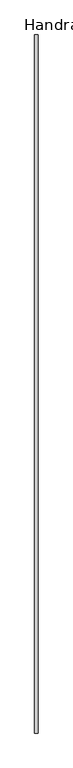
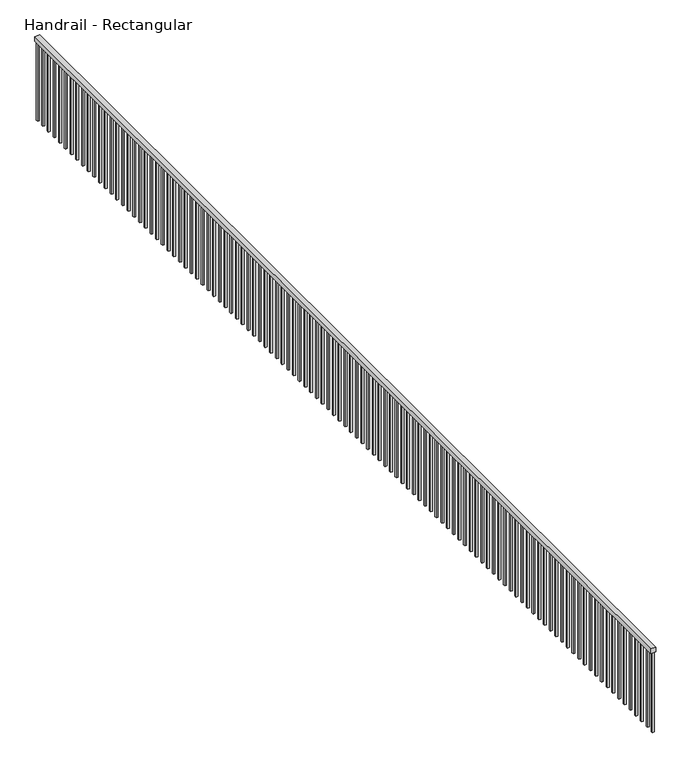
"""IFC4 building model written with IfcOpenShell, lengths in millimetres: railing geometry, Handrail - Rectangular."""

from ifc_helpers import new_model, si_unit, frame, origin, place, context, project, spatial, polyline, outline, extrude, source, transform, mapped, element, save


def handrail_rectangular_895eb6a4(model_context):
    return source(origin(), model_context, "Body", "SweptSolid", [
        extrude(outline(polyline([(15785.3201545, 5709.5419962), (15734.5201545, 5709.5419962), (15734.5201545, 16682.3419962), (15785.3201545, 16682.3419962), (15785.3201545, 5709.5419962)])), frame((0.0, 0.0, 4521.2), z_axis=(0.0, 0.0, 1.0), x_axis=(1.0, 0.0, 0.0)), (0.0, 0.0, 1.0), 50.8),
        extrude(outline(polyline([(15750.3951545, 16571.2169962), (15750.3951545, 16590.2669962), (15769.4451545, 16590.2669962), (15769.4451545, 16571.2169962), (15750.3951545, 16571.2169962)])), frame((0.0, 0.0, 3657.6), z_axis=(0.0, 0.0, 1.0), x_axis=(1.0, 0.0, 0.0)), (0.0, 0.0, 1.0), 863.6),
        extrude(outline(polyline([(15750.3951545, 16469.6169962), (15750.3951545, 16488.6669962), (15769.4451545, 16488.6669962), (15769.4451545, 16469.6169962), (15750.3951545, 16469.6169962)])), frame((0.0, 0.0, 3657.6), z_axis=(0.0, 0.0, 1.0), x_axis=(1.0, 0.0, 0.0)), (0.0, 0.0, 1.0), 863.6),
        extrude(outline(polyline([(15750.3951545, 16368.0169962), (15750.3951545, 16387.0669962), (15769.4451545, 16387.0669962), (15769.4451545, 16368.0169962), (15750.3951545, 16368.0169962)])), frame((0.0, 0.0, 3657.6), z_axis=(0.0, 0.0, 1.0), x_axis=(1.0, 0.0, 0.0)), (0.0, 0.0, 1.0), 863.6),
        extrude(outline(polyline([(15750.3951545, 16266.4169962), (15750.3951545, 16285.4669962), (15769.4451545, 16285.4669962), (15769.4451545, 16266.4169962), (15750.3951545, 16266.4169962)])), frame((0.0, 0.0, 3657.6), z_axis=(0.0, 0.0, 1.0), x_axis=(1.0, 0.0, 0.0)), (0.0, 0.0, 1.0), 863.6),
        extrude(outline(polyline([(15750.3951545, 16164.8169962), (15750.3951545, 16183.8669962), (15769.4451545, 16183.8669962), (15769.4451545, 16164.8169962), (15750.3951545, 16164.8169962)])), frame((0.0, 0.0, 3657.6), z_axis=(0.0, 0.0, 1.0), x_axis=(1.0, 0.0, 0.0)), (0.0, 0.0, 1.0), 863.6),
        extrude(outline(polyline([(15750.3951545, 16063.2169962), (15750.3951545, 16082.2669962), (15769.4451545, 16082.2669962), (15769.4451545, 16063.2169962), (15750.3951545, 16063.2169962)])), frame((0.0, 0.0, 3657.6), z_axis=(0.0, 0.0, 1.0), x_axis=(1.0, 0.0, 0.0)), (0.0, 0.0, 1.0), 863.6),
        extrude(outline(polyline([(15750.3951545, 15961.6169962), (15750.3951545, 15980.6669962), (15769.4451545, 15980.6669962), (15769.4451545, 15961.6169962), (15750.3951545, 15961.6169962)])), frame((0.0, 0.0, 3657.6), z_axis=(0.0, 0.0, 1.0), x_axis=(1.0, 0.0, 0.0)), (0.0, 0.0, 1.0), 863.6),
        extrude(outline(polyline([(15750.3951545, 15860.0169962), (15750.3951545, 15879.0669962), (15769.4451545, 15879.0669962), (15769.4451545, 15860.0169962), (15750.3951545, 15860.0169962)])), frame((0.0, 0.0, 3657.6), z_axis=(0.0, 0.0, 1.0), x_axis=(1.0, 0.0, 0.0)), (0.0, 0.0, 1.0), 863.6),
        extrude(outline(polyline([(15750.3951545, 15758.4169962), (15750.3951545, 15777.4669962), (15769.4451545, 15777.4669962), (15769.4451545, 15758.4169962), (15750.3951545, 15758.4169962)])), frame((0.0, 0.0, 3657.6), z_axis=(0.0, 0.0, 1.0), x_axis=(1.0, 0.0, 0.0)), (0.0, 0.0, 1.0), 863.6),
        extrude(outline(polyline([(15750.3951545, 15656.8169962), (15750.3951545, 15675.8669962), (15769.4451545, 15675.8669962), (15769.4451545, 15656.8169962), (15750.3951545, 15656.8169962)])), frame((0.0, 0.0, 3657.6), z_axis=(0.0, 0.0, 1.0), x_axis=(1.0, 0.0, 0.0)), (0.0, 0.0, 1.0), 863.6),
        extrude(outline(polyline([(15750.3951545, 15555.2169962), (15750.3951545, 15574.2669962), (15769.4451545, 15574.2669962), (15769.4451545, 15555.2169962), (15750.3951545, 15555.2169962)])), frame((0.0, 0.0, 3657.6), z_axis=(0.0, 0.0, 1.0), x_axis=(1.0, 0.0, 0.0)), (0.0, 0.0, 1.0), 863.6),
        extrude(outline(polyline([(15750.3951545, 15453.6169962), (15750.3951545, 15472.6669962), (15769.4451545, 15472.6669962), (15769.4451545, 15453.6169962), (15750.3951545, 15453.6169962)])), frame((0.0, 0.0, 3657.6), z_axis=(0.0, 0.0, 1.0), x_axis=(1.0, 0.0, 0.0)), (0.0, 0.0, 1.0), 863.6),
        extrude(outline(polyline([(15750.3951545, 15352.0169962), (15750.3951545, 15371.0669962), (15769.4451545, 15371.0669962), (15769.4451545, 15352.0169962), (15750.3951545, 15352.0169962)])), frame((0.0, 0.0, 3657.6), z_axis=(0.0, 0.0, 1.0), x_axis=(1.0, 0.0, 0.0)), (0.0, 0.0, 1.0), 863.6),
        extrude(outline(polyline([(15750.3951545, 15250.4169962), (15750.3951545, 15269.4669962), (15769.4451545, 15269.4669962), (15769.4451545, 15250.4169962), (15750.3951545, 15250.4169962)])), frame((0.0, 0.0, 3657.6), z_axis=(0.0, 0.0, 1.0), x_axis=(1.0, 0.0, 0.0)), (0.0, 0.0, 1.0), 863.6),
        extrude(outline(polyline([(15750.3951545, 15148.8169962), (15750.3951545, 15167.8669962), (15769.4451545, 15167.8669962), (15769.4451545, 15148.8169962), (15750.3951545, 15148.8169962)])), frame((0.0, 0.0, 3657.6), z_axis=(0.0, 0.0, 1.0), x_axis=(1.0, 0.0, 0.0)), (0.0, 0.0, 1.0), 863.6),
        extrude(outline(polyline([(15750.3951545, 15047.2169962), (15750.3951545, 15066.2669962), (15769.4451545, 15066.2669962), (15769.4451545, 15047.2169962), (15750.3951545, 15047.2169962)])), frame((0.0, 0.0, 3657.6), z_axis=(0.0, 0.0, 1.0), x_axis=(1.0, 0.0, 0.0)), (0.0, 0.0, 1.0), 863.6),
        extrude(outline(polyline([(15750.3951545, 14945.6169962), (15750.3951545, 14964.6669962), (15769.4451545, 14964.6669962), (15769.4451545, 14945.6169962), (15750.3951545, 14945.6169962)])), frame((0.0, 0.0, 3657.6), z_axis=(0.0, 0.0, 1.0), x_axis=(1.0, 0.0, 0.0)), (0.0, 0.0, 1.0), 863.6),
        extrude(outline(polyline([(15750.3951545, 14844.0169962), (15750.3951545, 14863.0669962), (15769.4451545, 14863.0669962), (15769.4451545, 14844.0169962), (15750.3951545, 14844.0169962)])), frame((0.0, 0.0, 3657.6), z_axis=(0.0, 0.0, 1.0), x_axis=(1.0, 0.0, 0.0)), (0.0, 0.0, 1.0), 863.6),
        extrude(outline(polyline([(15750.3951545, 14742.4169962), (15750.3951545, 14761.4669962), (15769.4451545, 14761.4669962), (15769.4451545, 14742.4169962), (15750.3951545, 14742.4169962)])), frame((0.0, 0.0, 3657.6), z_axis=(0.0, 0.0, 1.0), x_axis=(1.0, 0.0, 0.0)), (0.0, 0.0, 1.0), 863.6),
        extrude(outline(polyline([(15750.3951545, 14640.8169962), (15750.3951545, 14659.8669962), (15769.4451545, 14659.8669962), (15769.4451545, 14640.8169962), (15750.3951545, 14640.8169962)])), frame((0.0, 0.0, 3657.6), z_axis=(0.0, 0.0, 1.0), x_axis=(1.0, 0.0, 0.0)), (0.0, 0.0, 1.0), 863.6),
        extrude(outline(polyline([(15750.3951545, 14539.2169962), (15750.3951545, 14558.2669962), (15769.4451545, 14558.2669962), (15769.4451545, 14539.2169962), (15750.3951545, 14539.2169962)])), frame((0.0, 0.0, 3657.6), z_axis=(0.0, 0.0, 1.0), x_axis=(1.0, 0.0, 0.0)), (0.0, 0.0, 1.0), 863.6),
        extrude(outline(polyline([(15750.3951545, 14437.6169962), (15750.3951545, 14456.6669962), (15769.4451545, 14456.6669962), (15769.4451545, 14437.6169962), (15750.3951545, 14437.6169962)])), frame((0.0, 0.0, 3657.6), z_axis=(0.0, 0.0, 1.0), x_axis=(1.0, 0.0, 0.0)), (0.0, 0.0, 1.0), 863.6),
        extrude(outline(polyline([(15750.3951545, 14336.0169962), (15750.3951545, 14355.0669962), (15769.4451545, 14355.0669962), (15769.4451545, 14336.0169962), (15750.3951545, 14336.0169962)])), frame((0.0, 0.0, 3657.6), z_axis=(0.0, 0.0, 1.0), x_axis=(1.0, 0.0, 0.0)), (0.0, 0.0, 1.0), 863.6),
        extrude(outline(polyline([(15750.3951545, 14234.4169962), (15750.3951545, 14253.4669962), (15769.4451545, 14253.4669962), (15769.4451545, 14234.4169962), (15750.3951545, 14234.4169962)])), frame((0.0, 0.0, 3657.6), z_axis=(0.0, 0.0, 1.0), x_axis=(1.0, 0.0, 0.0)), (0.0, 0.0, 1.0), 863.6),
        extrude(outline(polyline([(15750.3951545, 14132.8169962), (15750.3951545, 14151.8669962), (15769.4451545, 14151.8669962), (15769.4451545, 14132.8169962), (15750.3951545, 14132.8169962)])), frame((0.0, 0.0, 3657.6), z_axis=(0.0, 0.0, 1.0), x_axis=(1.0, 0.0, 0.0)), (0.0, 0.0, 1.0), 863.6),
        extrude(outline(polyline([(15750.3951545, 14031.2169962), (15750.3951545, 14050.2669962), (15769.4451545, 14050.2669962), (15769.4451545, 14031.2169962), (15750.3951545, 14031.2169962)])), frame((0.0, 0.0, 3657.6), z_axis=(0.0, 0.0, 1.0), x_axis=(1.0, 0.0, 0.0)), (0.0, 0.0, 1.0), 863.6),
        extrude(outline(polyline([(15750.3951545, 13929.6169962), (15750.3951545, 13948.6669962), (15769.4451545, 13948.6669962), (15769.4451545, 13929.6169962), (15750.3951545, 13929.6169962)])), frame((0.0, 0.0, 3657.6), z_axis=(0.0, 0.0, 1.0), x_axis=(1.0, 0.0, 0.0)), (0.0, 0.0, 1.0), 863.6),
        extrude(outline(polyline([(15750.3951545, 13828.0169962), (15750.3951545, 13847.0669962), (15769.4451545, 13847.0669962), (15769.4451545, 13828.0169962), (15750.3951545, 13828.0169962)])), frame((0.0, 0.0, 3657.6), z_axis=(0.0, 0.0, 1.0), x_axis=(1.0, 0.0, 0.0)), (0.0, 0.0, 1.0), 863.6),
        extrude(outline(polyline([(15750.3951545, 13726.4169962), (15750.3951545, 13745.4669962), (15769.4451545, 13745.4669962), (15769.4451545, 13726.4169962), (15750.3951545, 13726.4169962)])), frame((0.0, 0.0, 3657.6), z_axis=(0.0, 0.0, 1.0), x_axis=(1.0, 0.0, 0.0)), (0.0, 0.0, 1.0), 863.6),
        extrude(outline(polyline([(15750.3951545, 13624.8169962), (15750.3951545, 13643.8669962), (15769.4451545, 13643.8669962), (15769.4451545, 13624.8169962), (15750.3951545, 13624.8169962)])), frame((0.0, 0.0, 3657.6), z_axis=(0.0, 0.0, 1.0), x_axis=(1.0, 0.0, 0.0)), (0.0, 0.0, 1.0), 863.6),
        extrude(outline(polyline([(15750.3951545, 13523.2169962), (15750.3951545, 13542.2669962), (15769.4451545, 13542.2669962), (15769.4451545, 13523.2169962), (15750.3951545, 13523.2169962)])), frame((0.0, 0.0, 3657.6), z_axis=(0.0, 0.0, 1.0), x_axis=(1.0, 0.0, 0.0)), (0.0, 0.0, 1.0), 863.6),
        extrude(outline(polyline([(15750.3951545, 13421.6169962), (15750.3951545, 13440.6669962), (15769.4451545, 13440.6669962), (15769.4451545, 13421.6169962), (15750.3951545, 13421.6169962)])), frame((0.0, 0.0, 3657.6), z_axis=(0.0, 0.0, 1.0), x_axis=(1.0, 0.0, 0.0)), (0.0, 0.0, 1.0), 863.6),
        extrude(outline(polyline([(15750.3951545, 13320.0169962), (15750.3951545, 13339.0669962), (15769.4451545, 13339.0669962), (15769.4451545, 13320.0169962), (15750.3951545, 13320.0169962)])), frame((0.0, 0.0, 3657.6), z_axis=(0.0, 0.0, 1.0), x_axis=(1.0, 0.0, 0.0)), (0.0, 0.0, 1.0), 863.6),
        extrude(outline(polyline([(15750.3951545, 13218.4169962), (15750.3951545, 13237.4669962), (15769.4451545, 13237.4669962), (15769.4451545, 13218.4169962), (15750.3951545, 13218.4169962)])), frame((0.0, 0.0, 3657.6), z_axis=(0.0, 0.0, 1.0), x_axis=(1.0, 0.0, 0.0)), (0.0, 0.0, 1.0), 863.6),
        extrude(outline(polyline([(15750.3951545, 13116.8169962), (15750.3951545, 13135.8669962), (15769.4451545, 13135.8669962), (15769.4451545, 13116.8169962), (15750.3951545, 13116.8169962)])), frame((0.0, 0.0, 3657.6), z_axis=(0.0, 0.0, 1.0), x_axis=(1.0, 0.0, 0.0)), (0.0, 0.0, 1.0), 863.6),
        extrude(outline(polyline([(15750.3951545, 13015.2169962), (15750.3951545, 13034.2669962), (15769.4451545, 13034.2669962), (15769.4451545, 13015.2169962), (15750.3951545, 13015.2169962)])), frame((0.0, 0.0, 3657.6), z_axis=(0.0, 0.0, 1.0), x_axis=(1.0, 0.0, 0.0)), (0.0, 0.0, 1.0), 863.6),
        extrude(outline(polyline([(15750.3951545, 12913.6169962), (15750.3951545, 12932.6669962), (15769.4451545, 12932.6669962), (15769.4451545, 12913.6169962), (15750.3951545, 12913.6169962)])), frame((0.0, 0.0, 3657.6), z_axis=(0.0, 0.0, 1.0), x_axis=(1.0, 0.0, 0.0)), (0.0, 0.0, 1.0), 863.6),
        extrude(outline(polyline([(15750.3951545, 12812.0169962), (15750.3951545, 12831.0669962), (15769.4451545, 12831.0669962), (15769.4451545, 12812.0169962), (15750.3951545, 12812.0169962)])), frame((0.0, 0.0, 3657.6), z_axis=(0.0, 0.0, 1.0), x_axis=(1.0, 0.0, 0.0)), (0.0, 0.0, 1.0), 863.6),
        extrude(outline(polyline([(15750.3951545, 12710.4169962), (15750.3951545, 12729.4669962), (15769.4451545, 12729.4669962), (15769.4451545, 12710.4169962), (15750.3951545, 12710.4169962)])), frame((0.0, 0.0, 3657.6), z_axis=(0.0, 0.0, 1.0), x_axis=(1.0, 0.0, 0.0)), (0.0, 0.0, 1.0), 863.6),
        extrude(outline(polyline([(15750.3951545, 12608.8169962), (15750.3951545, 12627.8669962), (15769.4451545, 12627.8669962), (15769.4451545, 12608.8169962), (15750.3951545, 12608.8169962)])), frame((0.0, 0.0, 3657.6), z_axis=(0.0, 0.0, 1.0), x_axis=(1.0, 0.0, 0.0)), (0.0, 0.0, 1.0), 863.6),
        extrude(outline(polyline([(15750.3951545, 12507.2169962), (15750.3951545, 12526.2669962), (15769.4451545, 12526.2669962), (15769.4451545, 12507.2169962), (15750.3951545, 12507.2169962)])), frame((0.0, 0.0, 3657.6), z_axis=(0.0, 0.0, 1.0), x_axis=(1.0, 0.0, 0.0)), (0.0, 0.0, 1.0), 863.6),
        extrude(outline(polyline([(15750.3951545, 12405.6169962), (15750.3951545, 12424.6669962), (15769.4451545, 12424.6669962), (15769.4451545, 12405.6169962), (15750.3951545, 12405.6169962)])), frame((0.0, 0.0, 3657.6), z_axis=(0.0, 0.0, 1.0), x_axis=(1.0, 0.0, 0.0)), (0.0, 0.0, 1.0), 863.6),
        extrude(outline(polyline([(15750.3951545, 12304.0169962), (15750.3951545, 12323.0669962), (15769.4451545, 12323.0669962), (15769.4451545, 12304.0169962), (15750.3951545, 12304.0169962)])), frame((0.0, 0.0, 3657.6), z_axis=(0.0, 0.0, 1.0), x_axis=(1.0, 0.0, 0.0)), (0.0, 0.0, 1.0), 863.6),
        extrude(outline(polyline([(15750.3951545, 12202.4169962), (15750.3951545, 12221.4669962), (15769.4451545, 12221.4669962), (15769.4451545, 12202.4169962), (15750.3951545, 12202.4169962)])), frame((0.0, 0.0, 3657.6), z_axis=(0.0, 0.0, 1.0), x_axis=(1.0, 0.0, 0.0)), (0.0, 0.0, 1.0), 863.6),
        extrude(outline(polyline([(15750.3951545, 12100.8169962), (15750.3951545, 12119.8669962), (15769.4451545, 12119.8669962), (15769.4451545, 12100.8169962), (15750.3951545, 12100.8169962)])), frame((0.0, 0.0, 3657.6), z_axis=(0.0, 0.0, 1.0), x_axis=(1.0, 0.0, 0.0)), (0.0, 0.0, 1.0), 863.6),
        extrude(outline(polyline([(15750.3951545, 11999.2169962), (15750.3951545, 12018.2669962), (15769.4451545, 12018.2669962), (15769.4451545, 11999.2169962), (15750.3951545, 11999.2169962)])), frame((0.0, 0.0, 3657.6), z_axis=(0.0, 0.0, 1.0), x_axis=(1.0, 0.0, 0.0)), (0.0, 0.0, 1.0), 863.6),
        extrude(outline(polyline([(15750.3951545, 11897.6169962), (15750.3951545, 11916.6669962), (15769.4451545, 11916.6669962), (15769.4451545, 11897.6169962), (15750.3951545, 11897.6169962)])), frame((0.0, 0.0, 3657.6), z_axis=(0.0, 0.0, 1.0), x_axis=(1.0, 0.0, 0.0)), (0.0, 0.0, 1.0), 863.6),
        extrude(outline(polyline([(15750.3951545, 11796.0169962), (15750.3951545, 11815.0669962), (15769.4451545, 11815.0669962), (15769.4451545, 11796.0169962), (15750.3951545, 11796.0169962)])), frame((0.0, 0.0, 3657.6), z_axis=(0.0, 0.0, 1.0), x_axis=(1.0, 0.0, 0.0)), (0.0, 0.0, 1.0), 863.6),
        extrude(outline(polyline([(15750.3951545, 11694.4169962), (15750.3951545, 11713.4669962), (15769.4451545, 11713.4669962), (15769.4451545, 11694.4169962), (15750.3951545, 11694.4169962)])), frame((0.0, 0.0, 3657.6), z_axis=(0.0, 0.0, 1.0), x_axis=(1.0, 0.0, 0.0)), (0.0, 0.0, 1.0), 863.6),
        extrude(outline(polyline([(15750.3951545, 11592.8169962), (15750.3951545, 11611.8669962), (15769.4451545, 11611.8669962), (15769.4451545, 11592.8169962), (15750.3951545, 11592.8169962)])), frame((0.0, 0.0, 3657.6), z_axis=(0.0, 0.0, 1.0), x_axis=(1.0, 0.0, 0.0)), (0.0, 0.0, 1.0), 863.6),
        extrude(outline(polyline([(15750.3951545, 11491.2169962), (15750.3951545, 11510.2669962), (15769.4451545, 11510.2669962), (15769.4451545, 11491.2169962), (15750.3951545, 11491.2169962)])), frame((0.0, 0.0, 3657.6), z_axis=(0.0, 0.0, 1.0), x_axis=(1.0, 0.0, 0.0)), (0.0, 0.0, 1.0), 863.6),
        extrude(outline(polyline([(15750.3951545, 11389.6169962), (15750.3951545, 11408.6669962), (15769.4451545, 11408.6669962), (15769.4451545, 11389.6169962), (15750.3951545, 11389.6169962)])), frame((0.0, 0.0, 3657.6), z_axis=(0.0, 0.0, 1.0), x_axis=(1.0, 0.0, 0.0)), (0.0, 0.0, 1.0), 863.6),
        extrude(outline(polyline([(15750.3951545, 11288.0169962), (15750.3951545, 11307.0669962), (15769.4451545, 11307.0669962), (15769.4451545, 11288.0169962), (15750.3951545, 11288.0169962)])), frame((0.0, 0.0, 3657.6), z_axis=(0.0, 0.0, 1.0), x_axis=(1.0, 0.0, 0.0)), (0.0, 0.0, 1.0), 863.6),
        extrude(outline(polyline([(15750.3951545, 11186.4169962), (15750.3951545, 11205.4669962), (15769.4451545, 11205.4669962), (15769.4451545, 11186.4169962), (15750.3951545, 11186.4169962)])), frame((0.0, 0.0, 3657.6), z_axis=(0.0, 0.0, 1.0), x_axis=(1.0, 0.0, 0.0)), (0.0, 0.0, 1.0), 863.6),
        extrude(outline(polyline([(15750.3951545, 11084.8169962), (15750.3951545, 11103.8669962), (15769.4451545, 11103.8669962), (15769.4451545, 11084.8169962), (15750.3951545, 11084.8169962)])), frame((0.0, 0.0, 3657.6), z_axis=(0.0, 0.0, 1.0), x_axis=(1.0, 0.0, 0.0)), (0.0, 0.0, 1.0), 863.6),
        extrude(outline(polyline([(15750.3951545, 10983.2169962), (15750.3951545, 11002.2669962), (15769.4451545, 11002.2669962), (15769.4451545, 10983.2169962), (15750.3951545, 10983.2169962)])), frame((0.0, 0.0, 3657.6), z_axis=(0.0, 0.0, 1.0), x_axis=(1.0, 0.0, 0.0)), (0.0, 0.0, 1.0), 863.6),
        extrude(outline(polyline([(15750.3951545, 10881.6169962), (15750.3951545, 10900.6669962), (15769.4451545, 10900.6669962), (15769.4451545, 10881.6169962), (15750.3951545, 10881.6169962)])), frame((0.0, 0.0, 3657.6), z_axis=(0.0, 0.0, 1.0), x_axis=(1.0, 0.0, 0.0)), (0.0, 0.0, 1.0), 863.6),
        extrude(outline(polyline([(15750.3951545, 10780.0169962), (15750.3951545, 10799.0669962), (15769.4451545, 10799.0669962), (15769.4451545, 10780.0169962), (15750.3951545, 10780.0169962)])), frame((0.0, 0.0, 3657.6), z_axis=(0.0, 0.0, 1.0), x_axis=(1.0, 0.0, 0.0)), (0.0, 0.0, 1.0), 863.6),
        extrude(outline(polyline([(15750.3951545, 10678.4169962), (15750.3951545, 10697.4669962), (15769.4451545, 10697.4669962), (15769.4451545, 10678.4169962), (15750.3951545, 10678.4169962)])), frame((0.0, 0.0, 3657.6), z_axis=(0.0, 0.0, 1.0), x_axis=(1.0, 0.0, 0.0)), (0.0, 0.0, 1.0), 863.6),
        extrude(outline(polyline([(15750.3951545, 10576.8169962), (15750.3951545, 10595.8669962), (15769.4451545, 10595.8669962), (15769.4451545, 10576.8169962), (15750.3951545, 10576.8169962)])), frame((0.0, 0.0, 3657.6), z_axis=(0.0, 0.0, 1.0), x_axis=(1.0, 0.0, 0.0)), (0.0, 0.0, 1.0), 863.6),
        extrude(outline(polyline([(15750.3951545, 10475.2169962), (15750.3951545, 10494.2669962), (15769.4451545, 10494.2669962), (15769.4451545, 10475.2169962), (15750.3951545, 10475.2169962)])), frame((0.0, 0.0, 3657.6), z_axis=(0.0, 0.0, 1.0), x_axis=(1.0, 0.0, 0.0)), (0.0, 0.0, 1.0), 863.6),
        extrude(outline(polyline([(15750.3951545, 10373.6169962), (15750.3951545, 10392.6669962), (15769.4451545, 10392.6669962), (15769.4451545, 10373.6169962), (15750.3951545, 10373.6169962)])), frame((0.0, 0.0, 3657.6), z_axis=(0.0, 0.0, 1.0), x_axis=(1.0, 0.0, 0.0)), (0.0, 0.0, 1.0), 863.6),
        extrude(outline(polyline([(15750.3951545, 10272.0169962), (15750.3951545, 10291.0669962), (15769.4451545, 10291.0669962), (15769.4451545, 10272.0169962), (15750.3951545, 10272.0169962)])), frame((0.0, 0.0, 3657.6), z_axis=(0.0, 0.0, 1.0), x_axis=(1.0, 0.0, 0.0)), (0.0, 0.0, 1.0), 863.6),
        extrude(outline(polyline([(15750.3951545, 10170.4169962), (15750.3951545, 10189.4669962), (15769.4451545, 10189.4669962), (15769.4451545, 10170.4169962), (15750.3951545, 10170.4169962)])), frame((0.0, 0.0, 3657.6), z_axis=(0.0, 0.0, 1.0), x_axis=(1.0, 0.0, 0.0)), (0.0, 0.0, 1.0), 863.6),
        extrude(outline(polyline([(15750.3951545, 10068.8169962), (15750.3951545, 10087.8669962), (15769.4451545, 10087.8669962), (15769.4451545, 10068.8169962), (15750.3951545, 10068.8169962)])), frame((0.0, 0.0, 3657.6), z_axis=(0.0, 0.0, 1.0), x_axis=(1.0, 0.0, 0.0)), (0.0, 0.0, 1.0), 863.6),
        extrude(outline(polyline([(15750.3951545, 9967.2169962), (15750.3951545, 9986.2669962), (15769.4451545, 9986.2669962), (15769.4451545, 9967.2169962), (15750.3951545, 9967.2169962)])), frame((0.0, 0.0, 3657.6), z_axis=(0.0, 0.0, 1.0), x_axis=(1.0, 0.0, 0.0)), (0.0, 0.0, 1.0), 863.6),
        extrude(outline(polyline([(15750.3951545, 9865.6169962), (15750.3951545, 9884.6669962), (15769.4451545, 9884.6669962), (15769.4451545, 9865.6169962), (15750.3951545, 9865.6169962)])), frame((0.0, 0.0, 3657.6), z_axis=(0.0, 0.0, 1.0), x_axis=(1.0, 0.0, 0.0)), (0.0, 0.0, 1.0), 863.6),
        extrude(outline(polyline([(15750.3951545, 9764.0169962), (15750.3951545, 9783.0669962), (15769.4451545, 9783.0669962), (15769.4451545, 9764.0169962), (15750.3951545, 9764.0169962)])), frame((0.0, 0.0, 3657.6), z_axis=(0.0, 0.0, 1.0), x_axis=(1.0, 0.0, 0.0)), (0.0, 0.0, 1.0), 863.6),
        extrude(outline(polyline([(15750.3951545, 9662.4169962), (15750.3951545, 9681.4669962), (15769.4451545, 9681.4669962), (15769.4451545, 9662.4169962), (15750.3951545, 9662.4169962)])), frame((0.0, 0.0, 3657.6), z_axis=(0.0, 0.0, 1.0), x_axis=(1.0, 0.0, 0.0)), (0.0, 0.0, 1.0), 863.6),
        extrude(outline(polyline([(15750.3951545, 9560.8169962), (15750.3951545, 9579.8669962), (15769.4451545, 9579.8669962), (15769.4451545, 9560.8169962), (15750.3951545, 9560.8169962)])), frame((0.0, 0.0, 3657.6), z_axis=(0.0, 0.0, 1.0), x_axis=(1.0, 0.0, 0.0)), (0.0, 0.0, 1.0), 863.6),
        extrude(outline(polyline([(15750.3951545, 9459.2169962), (15750.3951545, 9478.2669962), (15769.4451545, 9478.2669962), (15769.4451545, 9459.2169962), (15750.3951545, 9459.2169962)])), frame((0.0, 0.0, 3657.6), z_axis=(0.0, 0.0, 1.0), x_axis=(1.0, 0.0, 0.0)), (0.0, 0.0, 1.0), 863.6),
        extrude(outline(polyline([(15750.3951545, 9357.6169962), (15750.3951545, 9376.6669962), (15769.4451545, 9376.6669962), (15769.4451545, 9357.6169962), (15750.3951545, 9357.6169962)])), frame((0.0, 0.0, 3657.6), z_axis=(0.0, 0.0, 1.0), x_axis=(1.0, 0.0, 0.0)), (0.0, 0.0, 1.0), 863.6),
        extrude(outline(polyline([(15750.3951545, 9256.0169962), (15750.3951545, 9275.0669962), (15769.4451545, 9275.0669962), (15769.4451545, 9256.0169962), (15750.3951545, 9256.0169962)])), frame((0.0, 0.0, 3657.6), z_axis=(0.0, 0.0, 1.0), x_axis=(1.0, 0.0, 0.0)), (0.0, 0.0, 1.0), 863.6),
        extrude(outline(polyline([(15750.3951545, 9154.4169962), (15750.3951545, 9173.4669962), (15769.4451545, 9173.4669962), (15769.4451545, 9154.4169962), (15750.3951545, 9154.4169962)])), frame((0.0, 0.0, 3657.6), z_axis=(0.0, 0.0, 1.0), x_axis=(1.0, 0.0, 0.0)), (0.0, 0.0, 1.0), 863.6),
        extrude(outline(polyline([(15750.3951545, 9052.8169962), (15750.3951545, 9071.8669962), (15769.4451545, 9071.8669962), (15769.4451545, 9052.8169962), (15750.3951545, 9052.8169962)])), frame((0.0, 0.0, 3657.6), z_axis=(0.0, 0.0, 1.0), x_axis=(1.0, 0.0, 0.0)), (0.0, 0.0, 1.0), 863.6),
        extrude(outline(polyline([(15750.3951545, 8951.2169962), (15750.3951545, 8970.2669962), (15769.4451545, 8970.2669962), (15769.4451545, 8951.2169962), (15750.3951545, 8951.2169962)])), frame((0.0, 0.0, 3657.6), z_axis=(0.0, 0.0, 1.0), x_axis=(1.0, 0.0, 0.0)), (0.0, 0.0, 1.0), 863.6),
        extrude(outline(polyline([(15750.3951545, 8849.6169962), (15750.3951545, 8868.6669962), (15769.4451545, 8868.6669962), (15769.4451545, 8849.6169962), (15750.3951545, 8849.6169962)])), frame((0.0, 0.0, 3657.6), z_axis=(0.0, 0.0, 1.0), x_axis=(1.0, 0.0, 0.0)), (0.0, 0.0, 1.0), 863.6),
        extrude(outline(polyline([(15750.3951545, 8748.0169962), (15750.3951545, 8767.0669962), (15769.4451545, 8767.0669962), (15769.4451545, 8748.0169962), (15750.3951545, 8748.0169962)])), frame((0.0, 0.0, 3657.6), z_axis=(0.0, 0.0, 1.0), x_axis=(1.0, 0.0, 0.0)), (0.0, 0.0, 1.0), 863.6),
        extrude(outline(polyline([(15750.3951545, 8646.4169962), (15750.3951545, 8665.4669962), (15769.4451545, 8665.4669962), (15769.4451545, 8646.4169962), (15750.3951545, 8646.4169962)])), frame((0.0, 0.0, 3657.6), z_axis=(0.0, 0.0, 1.0), x_axis=(1.0, 0.0, 0.0)), (0.0, 0.0, 1.0), 863.6),
        extrude(outline(polyline([(15750.3951545, 8544.8169962), (15750.3951545, 8563.8669962), (15769.4451545, 8563.8669962), (15769.4451545, 8544.8169962), (15750.3951545, 8544.8169962)])), frame((0.0, 0.0, 3657.6), z_axis=(0.0, 0.0, 1.0), x_axis=(1.0, 0.0, 0.0)), (0.0, 0.0, 1.0), 863.6),
        extrude(outline(polyline([(15750.3951545, 8443.2169962), (15750.3951545, 8462.2669962), (15769.4451545, 8462.2669962), (15769.4451545, 8443.2169962), (15750.3951545, 8443.2169962)])), frame((0.0, 0.0, 3657.6), z_axis=(0.0, 0.0, 1.0), x_axis=(1.0, 0.0, 0.0)), (0.0, 0.0, 1.0), 863.6),
        extrude(outline(polyline([(15750.3951545, 8341.6169962), (15750.3951545, 8360.6669962), (15769.4451545, 8360.6669962), (15769.4451545, 8341.6169962), (15750.3951545, 8341.6169962)])), frame((0.0, 0.0, 3657.6), z_axis=(0.0, 0.0, 1.0), x_axis=(1.0, 0.0, 0.0)), (0.0, 0.0, 1.0), 863.6),
        extrude(outline(polyline([(15750.3951545, 8240.0169962), (15750.3951545, 8259.0669962), (15769.4451545, 8259.0669962), (15769.4451545, 8240.0169962), (15750.3951545, 8240.0169962)])), frame((0.0, 0.0, 3657.6), z_axis=(0.0, 0.0, 1.0), x_axis=(1.0, 0.0, 0.0)), (0.0, 0.0, 1.0), 863.6),
        extrude(outline(polyline([(15750.3951545, 8138.4169962), (15750.3951545, 8157.4669962), (15769.4451545, 8157.4669962), (15769.4451545, 8138.4169962), (15750.3951545, 8138.4169962)])), frame((0.0, 0.0, 3657.6), z_axis=(0.0, 0.0, 1.0), x_axis=(1.0, 0.0, 0.0)), (0.0, 0.0, 1.0), 863.6),
        extrude(outline(polyline([(15750.3951545, 8036.8169962), (15750.3951545, 8055.8669962), (15769.4451545, 8055.8669962), (15769.4451545, 8036.8169962), (15750.3951545, 8036.8169962)])), frame((0.0, 0.0, 3657.6), z_axis=(0.0, 0.0, 1.0), x_axis=(1.0, 0.0, 0.0)), (0.0, 0.0, 1.0), 863.6),
        extrude(outline(polyline([(15750.3951545, 7935.2169962), (15750.3951545, 7954.2669962), (15769.4451545, 7954.2669962), (15769.4451545, 7935.2169962), (15750.3951545, 7935.2169962)])), frame((0.0, 0.0, 3657.6), z_axis=(0.0, 0.0, 1.0), x_axis=(1.0, 0.0, 0.0)), (0.0, 0.0, 1.0), 863.6),
        extrude(outline(polyline([(15750.3951545, 7833.6169962), (15750.3951545, 7852.6669962), (15769.4451545, 7852.6669962), (15769.4451545, 7833.6169962), (15750.3951545, 7833.6169962)])), frame((0.0, 0.0, 3657.6), z_axis=(0.0, 0.0, 1.0), x_axis=(1.0, 0.0, 0.0)), (0.0, 0.0, 1.0), 863.6),
        extrude(outline(polyline([(15750.3951545, 7732.0169962), (15750.3951545, 7751.0669962), (15769.4451545, 7751.0669962), (15769.4451545, 7732.0169962), (15750.3951545, 7732.0169962)])), frame((0.0, 0.0, 3657.6), z_axis=(0.0, 0.0, 1.0), x_axis=(1.0, 0.0, 0.0)), (0.0, 0.0, 1.0), 863.6),
        extrude(outline(polyline([(15750.3951545, 7630.4169962), (15750.3951545, 7649.4669962), (15769.4451545, 7649.4669962), (15769.4451545, 7630.4169962), (15750.3951545, 7630.4169962)])), frame((0.0, 0.0, 3657.6), z_axis=(0.0, 0.0, 1.0), x_axis=(1.0, 0.0, 0.0)), (0.0, 0.0, 1.0), 863.6),
        extrude(outline(polyline([(15750.3951545, 7528.8169962), (15750.3951545, 7547.8669962), (15769.4451545, 7547.8669962), (15769.4451545, 7528.8169962), (15750.3951545, 7528.8169962)])), frame((0.0, 0.0, 3657.6), z_axis=(0.0, 0.0, 1.0), x_axis=(1.0, 0.0, 0.0)), (0.0, 0.0, 1.0), 863.6),
        extrude(outline(polyline([(15750.3951545, 7427.2169962), (15750.3951545, 7446.2669962), (15769.4451545, 7446.2669962), (15769.4451545, 7427.2169962), (15750.3951545, 7427.2169962)])), frame((0.0, 0.0, 3657.6), z_axis=(0.0, 0.0, 1.0), x_axis=(1.0, 0.0, 0.0)), (0.0, 0.0, 1.0), 863.6),
        extrude(outline(polyline([(15750.3951545, 7325.6169962), (15750.3951545, 7344.6669962), (15769.4451545, 7344.6669962), (15769.4451545, 7325.6169962), (15750.3951545, 7325.6169962)])), frame((0.0, 0.0, 3657.6), z_axis=(0.0, 0.0, 1.0), x_axis=(1.0, 0.0, 0.0)), (0.0, 0.0, 1.0), 863.6),
        extrude(outline(polyline([(15750.3951545, 7224.0169962), (15750.3951545, 7243.0669962), (15769.4451545, 7243.0669962), (15769.4451545, 7224.0169962), (15750.3951545, 7224.0169962)])), frame((0.0, 0.0, 3657.6), z_axis=(0.0, 0.0, 1.0), x_axis=(1.0, 0.0, 0.0)), (0.0, 0.0, 1.0), 863.6),
        extrude(outline(polyline([(15750.3951545, 7122.4169962), (15750.3951545, 7141.4669962), (15769.4451545, 7141.4669962), (15769.4451545, 7122.4169962), (15750.3951545, 7122.4169962)])), frame((0.0, 0.0, 3657.6), z_axis=(0.0, 0.0, 1.0), x_axis=(1.0, 0.0, 0.0)), (0.0, 0.0, 1.0), 863.6),
        extrude(outline(polyline([(15750.3951545, 7020.8169962), (15750.3951545, 7039.8669962), (15769.4451545, 7039.8669962), (15769.4451545, 7020.8169962), (15750.3951545, 7020.8169962)])), frame((0.0, 0.0, 3657.6), z_axis=(0.0, 0.0, 1.0), x_axis=(1.0, 0.0, 0.0)), (0.0, 0.0, 1.0), 863.6),
        extrude(outline(polyline([(15750.3951545, 6919.2169962), (15750.3951545, 6938.2669962), (15769.4451545, 6938.2669962), (15769.4451545, 6919.2169962), (15750.3951545, 6919.2169962)])), frame((0.0, 0.0, 3657.6), z_axis=(0.0, 0.0, 1.0), x_axis=(1.0, 0.0, 0.0)), (0.0, 0.0, 1.0), 863.6),
        extrude(outline(polyline([(15750.3951545, 6817.6169962), (15750.3951545, 6836.6669962), (15769.4451545, 6836.6669962), (15769.4451545, 6817.6169962), (15750.3951545, 6817.6169962)])), frame((0.0, 0.0, 3657.6), z_axis=(0.0, 0.0, 1.0), x_axis=(1.0, 0.0, 0.0)), (0.0, 0.0, 1.0), 863.6),
        extrude(outline(polyline([(15750.3951545, 6716.0169962), (15750.3951545, 6735.0669962), (15769.4451545, 6735.0669962), (15769.4451545, 6716.0169962), (15750.3951545, 6716.0169962)])), frame((0.0, 0.0, 3657.6), z_axis=(0.0, 0.0, 1.0), x_axis=(1.0, 0.0, 0.0)), (0.0, 0.0, 1.0), 863.6),
        extrude(outline(polyline([(15750.3951545, 6614.4169962), (15750.3951545, 6633.4669962), (15769.4451545, 6633.4669962), (15769.4451545, 6614.4169962), (15750.3951545, 6614.4169962)])), frame((0.0, 0.0, 3657.6), z_axis=(0.0, 0.0, 1.0), x_axis=(1.0, 0.0, 0.0)), (0.0, 0.0, 1.0), 863.6),
        extrude(outline(polyline([(15750.3951545, 6512.8169962), (15750.3951545, 6531.8669962), (15769.4451545, 6531.8669962), (15769.4451545, 6512.8169962), (15750.3951545, 6512.8169962)])), frame((0.0, 0.0, 3657.6), z_axis=(0.0, 0.0, 1.0), x_axis=(1.0, 0.0, 0.0)), (0.0, 0.0, 1.0), 863.6),
        extrude(outline(polyline([(15750.3951545, 6411.2169962), (15750.3951545, 6430.2669962), (15769.4451545, 6430.2669962), (15769.4451545, 6411.2169962), (15750.3951545, 6411.2169962)])), frame((0.0, 0.0, 3657.6), z_axis=(0.0, 0.0, 1.0), x_axis=(1.0, 0.0, 0.0)), (0.0, 0.0, 1.0), 863.6),
        extrude(outline(polyline([(15750.3951545, 6309.6169962), (15750.3951545, 6328.6669962), (15769.4451545, 6328.6669962), (15769.4451545, 6309.6169962), (15750.3951545, 6309.6169962)])), frame((0.0, 0.0, 3657.6), z_axis=(0.0, 0.0, 1.0), x_axis=(1.0, 0.0, 0.0)), (0.0, 0.0, 1.0), 863.6),
        extrude(outline(polyline([(15750.3951545, 6208.0169962), (15750.3951545, 6227.0669962), (15769.4451545, 6227.0669962), (15769.4451545, 6208.0169962), (15750.3951545, 6208.0169962)])), frame((0.0, 0.0, 3657.6), z_axis=(0.0, 0.0, 1.0), x_axis=(1.0, 0.0, 0.0)), (0.0, 0.0, 1.0), 863.6),
        extrude(outline(polyline([(15750.3951545, 6106.4169962), (15750.3951545, 6125.4669962), (15769.4451545, 6125.4669962), (15769.4451545, 6106.4169962), (15750.3951545, 6106.4169962)])), frame((0.0, 0.0, 3657.6), z_axis=(0.0, 0.0, 1.0), x_axis=(1.0, 0.0, 0.0)), (0.0, 0.0, 1.0), 863.6),
        extrude(outline(polyline([(15750.3951545, 6004.8169962), (15750.3951545, 6023.8669962), (15769.4451545, 6023.8669962), (15769.4451545, 6004.8169962), (15750.3951545, 6004.8169962)])), frame((0.0, 0.0, 3657.6), z_axis=(0.0, 0.0, 1.0), x_axis=(1.0, 0.0, 0.0)), (0.0, 0.0, 1.0), 863.6),
        extrude(outline(polyline([(15750.3951545, 5903.2169962), (15750.3951545, 5922.2669962), (15769.4451545, 5922.2669962), (15769.4451545, 5903.2169962), (15750.3951545, 5903.2169962)])), frame((0.0, 0.0, 3657.6), z_axis=(0.0, 0.0, 1.0), x_axis=(1.0, 0.0, 0.0)), (0.0, 0.0, 1.0), 863.6),
        extrude(outline(polyline([(15750.3951545, 5801.6169962), (15750.3951545, 5820.6669962), (15769.4451545, 5820.6669962), (15769.4451545, 5801.6169962), (15750.3951545, 5801.6169962)])), frame((0.0, 0.0, 3657.6), z_axis=(0.0, 0.0, 1.0), x_axis=(1.0, 0.0, 0.0)), (0.0, 0.0, 1.0), 863.6),
        extrude(outline(polyline([(15750.3951545, 16663.2919962), (15750.3951545, 16682.3419962), (15769.4451545, 16682.3419962), (15769.4451545, 16663.2919962), (15750.3951545, 16663.2919962)])), frame((0.0, 0.0, 3657.6), z_axis=(0.0, 0.0, 1.0), x_axis=(1.0, 0.0, 0.0)), (0.0, 0.0, 1.0), 863.6),
        extrude(outline(polyline([(15750.3951545, 5709.5419962), (15750.3951545, 5728.5919962), (15769.4451545, 5728.5919962), (15769.4451545, 5709.5419962), (15750.3951545, 5709.5419962)])), frame((0.0, 0.0, 3657.6), z_axis=(0.0, 0.0, 1.0), x_axis=(1.0, 0.0, 0.0)), (0.0, 0.0, 1.0), 863.6),
    ])


if __name__ == "__main__":
    model = new_model("IFC4")
    model_context = context("Model", 3, world=origin())
    ifc_project = project(units=[si_unit("LENGTHUNIT", "METRE", prefix="MILLI")], contexts=[model_context])
    site = spatial("IfcSite", under=ifc_project)
    building = spatial("IfcBuilding", under=site)
    placement = place(None, origin())
    handrail_rectangular_shape = handrail_rectangular_895eb6a4(model_context)
    element("IfcRailing", 1, ObjectType="Handrail - Rectangular", at=placement, inside=building, context=model_context, shape_type="MappedRepresentation", body=[
        mapped(handrail_rectangular_shape, transform((0.0, 0.0, 0.0), x_axis=(1.0, 0.0, 0.0), y_axis=(0.0, 1.0, 0.0), z_axis=(0.0, 0.0, 1.0))),
    ])
    save(model, "model.ifc")
